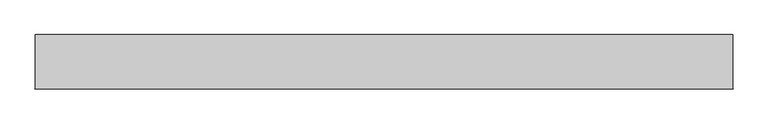
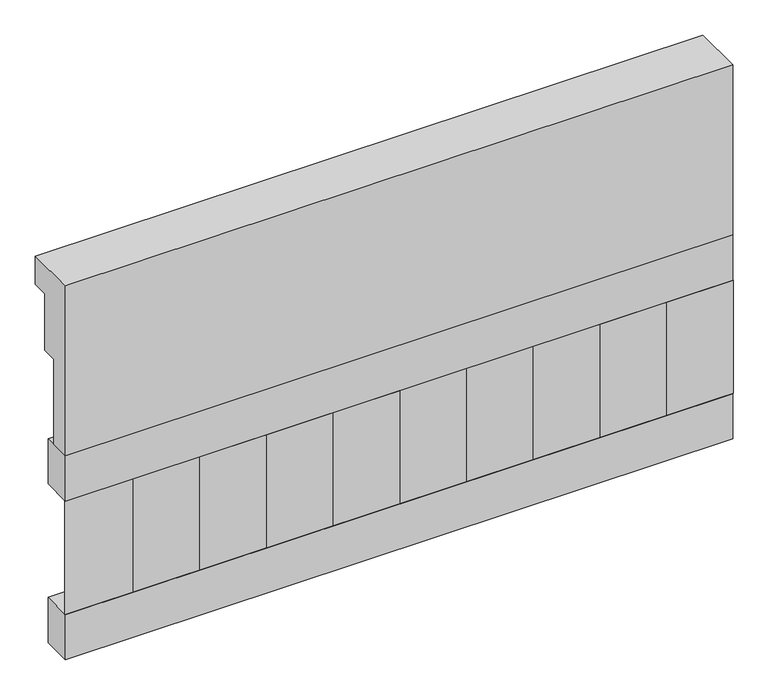
"""IFC4 building model written with IfcOpenShell, lengths in millimetres: railing geometry."""

import ifcopenshell
import ifcopenshell.guid

model = None  # the IFC model being written
_history = None  # IfcOwnerHistory: only IFC2X3 demands one
_inside = {}  # id of a spatial element -> (the spatial element, [elements in it])
_under = {}  # id of a project, library or spatial element -> (it, [spatial elements below it])
_declared = {}  # id of a project -> (the project, [libraries it declares])
_typed = {}  # id of a type object -> (the type object, [elements of that type])
_made_of = {}  # id of a material, layer set ... -> (it, [elements and type objects made of it])


def new_model(schema):
    """Start an empty IFC model of exactly this schema.

    Asked for "IFC4X3", IfcOpenShell would pick the latest addendum, in which some entities
    have other attributes; the version numbers below select the first issue.
    IFC2X3 requires an IfcOwnerHistory on every rooted entity: one is made here for all.
    """
    global model, _history
    if schema == "IFC4X3":
        model = ifcopenshell.file(schema_version=(4, 3, 0, 0))
    else:
        model = ifcopenshell.file(schema=schema)
    _inside.clear()
    _under.clear()
    _declared.clear()
    _typed.clear()
    _made_of.clear()
    _history = None
    if model.schema == "IFC2X3":
        org = make("IfcOrganization", Name="unknown")
        user = make(
            "IfcPersonAndOrganization",
            ThePerson=make("IfcPerson", FamilyName="unknown"),
            TheOrganization=org,
        )
        app = make(
            "IfcApplication",
            ApplicationDeveloper=org,
            Version="unknown",
            ApplicationFullName="unknown",
            ApplicationIdentifier="unknown",
        )
        _history = make(
            "IfcOwnerHistory",
            OwningUser=user,
            OwningApplication=app,
            ChangeAction="ADDED",
            CreationDate=0,
        )
    return model


def make(cls, **values):
    """One entity of the class cls with the attributes given. An attribute that is None is left unset."""
    return model.create_entity(
        cls, **{name: value for name, value in values.items() if value is not None}
    )


def rooted(cls, **values):
    """An entity with a GlobalId (a new one), such as an element, a storey or a relation."""
    return make(cls, GlobalId=ifcopenshell.guid.new(), OwnerHistory=_history, **values)


def si_unit(unit_type, name, prefix=None):
    """IfcSIUnit, for example si_unit("LENGTHUNIT", "METRE", prefix="MILLI")."""
    return make("IfcSIUnit", UnitType=unit_type, Prefix=prefix, Name=name)


def assignment(units):
    """IfcUnitAssignment: the units of a project."""
    return None if units is None else make("IfcUnitAssignment", Units=units)


def point(xyz):
    """IfcCartesianPoint."""
    return None if xyz is None else make("IfcCartesianPoint", Coordinates=xyz)


def direction(xyz):
    """IfcDirection."""
    return None if xyz is None else make("IfcDirection", DirectionRatios=xyz)


def frame(location, z_axis=None, x_axis=None):
    """IfcAxis2Placement3D, a coordinate frame: its origin and axes. An axis left out is left unset."""
    return make(
        "IfcAxis2Placement3D",
        Location=point(location),
        Axis=direction(z_axis),
        RefDirection=direction(x_axis),
    )


def origin():
    """The frame at (0, 0, 0) with its axes left unset."""
    return frame((0.0, 0.0, 0.0))


def place(relative_to, where):
    """IfcLocalPlacement: puts the frame where relative to a parent placement (None: the world)."""
    return make(
        "IfcLocalPlacement", PlacementRelTo=relative_to, RelativePlacement=where
    )


def context(
    kind, dimensions, precision=None, world=None, true_north=None, identifier=None
):
    """IfcGeometricRepresentationContext, for example the 3D "Model" context."""
    return make(
        "IfcGeometricRepresentationContext",
        ContextIdentifier=identifier,
        ContextType=kind,
        CoordinateSpaceDimension=dimensions,
        Precision=precision,
        WorldCoordinateSystem=world,
        TrueNorth=true_north,
    )


def project(units=None, contexts=None):
    """IfcProject with its units and contexts."""
    return rooted(
        "IfcProject",
        Name="project",
        RepresentationContexts=contexts,
        UnitsInContext=assignment(units),
    )


def spatial(cls, under=None, at=None, **own):
    """A site, building, storey or space (cls), placed at a placement, below another one or the project."""
    s = rooted(cls, ObjectPlacement=at, **own)
    if under is not None:
        _under.setdefault(under.id(), (under, []))[1].append(s)
    return s


def polyline(points):
    """IfcPolyline through the points."""
    return make("IfcPolyline", Points=[point(p) for p in points])


def outline(outer, holes=None, kind="AREA"):
    """IfcArbitraryClosedProfileDef: a profile drawn as a closed curve; with holes, ...WithVoids."""
    if holes is None:
        return make("IfcArbitraryClosedProfileDef", ProfileType=kind, OuterCurve=outer)
    return make(
        "IfcArbitraryProfileDefWithVoids",
        ProfileType=kind,
        OuterCurve=outer,
        InnerCurves=holes,
    )


def extrude(swept, where, along, depth):
    """IfcExtrudedAreaSolid: the profile swept, set in the frame where, extruded along a direction by depth."""
    return make(
        "IfcExtrudedAreaSolid",
        SweptArea=swept,
        Position=where,
        ExtrudedDirection=direction(along),
        Depth=depth,
    )


def shape(context_of_items, identifier, shape_type, items):
    """IfcShapeRepresentation: the items that make up one representation, for example the "Body"."""
    return make(
        "IfcShapeRepresentation",
        ContextOfItems=context_of_items,
        RepresentationIdentifier=identifier,
        RepresentationType=shape_type,
        Items=items,
    )


def source(mapping_origin, context_of_items, identifier, shape_type, items):
    """IfcRepresentationMap: a shape defined once, which mapped items show again and again."""
    return make(
        "IfcRepresentationMap",
        MappingOrigin=mapping_origin,
        MappedRepresentation=shape(context_of_items, identifier, shape_type, items),
    )


def transform(
    local_origin,
    x_axis=None,
    y_axis=None,
    z_axis=None,
    scale=None,
    scale2=None,
    scale3=None,
    uniform=True,
):
    """IfcCartesianTransformationOperator3D, or its non-uniform kind. x_axis, y_axis, z_axis: its Axis1, 2, 3."""
    if uniform:
        return make(
            "IfcCartesianTransformationOperator3D",
            Axis1=direction(x_axis),
            Axis2=direction(y_axis),
            LocalOrigin=point(local_origin),
            Scale=scale,
            Axis3=direction(z_axis),
        )
    return make(
        "IfcCartesianTransformationOperator3DnonUniform",
        Axis1=direction(x_axis),
        Axis2=direction(y_axis),
        LocalOrigin=point(local_origin),
        Scale=scale,
        Axis3=direction(z_axis),
        Scale2=scale2,
        Scale3=scale3,
    )


def mapped(mapping_source, mapping_target):
    """IfcMappedItem: shows the shape of a source again, moved by a transform."""
    return make(
        "IfcMappedItem", MappingSource=mapping_source, MappingTarget=mapping_target
    )


def made_of(thing, what):
    """Note that an element or type object is made of a material, layer set ...; save() writes the relation."""
    if what is not None:
        _made_of.setdefault(what.id(), (what, []))[1].append(thing)
    return thing


def element(
    cls,
    number,
    at=None,
    inside=None,
    cuts=None,
    type_object=None,
    material=None,
    context=None,
    identifier="Body",
    shape_type=None,
    held_by="IfcProductDefinitionShape",
    body=None,
    shapes=None,
    **own,
):
    """One element of the class cls, such as IfcWall. Its Tag is "e" and its number.

    at: its placement. inside: the storey or other place that contains it. cuts: it is an
    opening in that element (IfcRelVoidsElement). A single representation is given by context,
    identifier, shape_type and body (its items); several are given by shapes. held_by: the class
    of the entity that holds the representations. save() writes the other relations.
    """
    e = rooted(cls, Tag="e%d" % number, ObjectPlacement=at, **own)
    if body is not None:
        shapes = [shape(context, identifier, shape_type, body)]
    if shapes is not None:
        e.Representation = make(held_by, Representations=shapes)
    if inside is not None:
        _inside.setdefault(inside.id(), (inside, []))[1].append(e)
    if cuts is not None:
        rooted(
            "IfcRelVoidsElement", RelatingBuildingElement=cuts, RelatedOpeningElement=e
        )
    if type_object is not None:
        _typed.setdefault(type_object.id(), (type_object, []))[1].append(e)
    return made_of(e, material)


def aggregate(whole, parts):
    """IfcRelAggregates: a whole, such as a stair, and the parts it consists of."""
    return rooted("IfcRelAggregates", RelatingObject=whole, RelatedObjects=parts)


def save(model, path):
    """Write the relations noted so far, then the file.

    IfcRelAggregates (storeys below a building ...), IfcRelContainedInSpatialStructure (elements
    in a storey), IfcRelDefinesByType, IfcRelAssociatesMaterial and IfcRelDeclares: one each for
    every whole, place, type object, material and project.
    """
    for whole, parts in _under.values():
        aggregate(whole, parts)
    for where, things in _inside.values():
        rooted(
            "IfcRelContainedInSpatialStructure",
            RelatedElements=things,
            RelatingStructure=where,
        )
    for kind, things in _typed.values():
        rooted("IfcRelDefinesByType", RelatedObjects=things, RelatingType=kind)
    for what, things in _made_of.values():
        rooted("IfcRelAssociatesMaterial", RelatedObjects=things, RelatingMaterial=what)
    for by, libraries in _declared.values():
        rooted("IfcRelDeclares", RelatingContext=by, RelatedDefinitions=libraries)
    model.write(path)


def railing_bf115fda(model_context):
    return source(origin(), model_context, "Body", "SweptSolid", [
        extrude(outline(polyline([(903.1079487, 18500.0), (1033.1079487, 18500.0), (1033.1079487, 18425.0), (993.1079487, 18425.0), (993.1079487, 18275.0), (953.1079487, 18275.0), (953.1079487, 18050.0), (903.1079487, 18050.0), (903.1079487, 18500.0)])), frame((-40039.9887159, 0.0, 0.0), z_axis=(1.0, 0.0, 0.0), x_axis=(0.0, 1.0, 0.0)), (0.0, 0.0, 1.0), 1670.0),
        extrude(outline(polyline([(-38369.9887159, 978.1079487), (-38369.9887159, 903.1079487), (-40039.9887159, 903.1079487), (-40039.9887159, 978.1079487), (-38369.9887159, 978.1079487)])), frame((0.0, 0.0, 17930.0), z_axis=(0.0, 0.0, 1.0), x_axis=(1.0, 0.0, 0.0)), (0.0, 0.0, 1.0), 120.0),
        extrude(outline(polyline([(-38369.9887159, 978.1079487), (-38369.9887159, 903.1079487), (-40039.9887159, 903.1079487), (-40039.9887159, 978.1079487), (-38369.9887159, 978.1079487)])), frame((0.0, 0.0, 17510.0), z_axis=(0.0, 0.0, 1.0), x_axis=(1.0, 0.0, 0.0)), (0.0, 0.0, 1.0), 120.0),
        extrude(outline(polyline([(-39956.4887159, 987.9607624), (-39871.6359022, 903.1079487), (-40041.3415296, 903.1079487), (-39956.4887159, 987.9607624)])), frame((0.0, 0.0, 17630.0), z_axis=(0.0, 0.0, 1.0), x_axis=(1.0, 0.0, 0.0)), (0.0, 0.0, 1.0), 300.0),
        extrude(outline(polyline([(-39789.4887159, 987.9607624), (-39704.6359022, 903.1079487), (-39874.3415296, 903.1079487), (-39789.4887159, 987.9607624)])), frame((0.0, 0.0, 17630.0), z_axis=(0.0, 0.0, 1.0), x_axis=(1.0, 0.0, 0.0)), (0.0, 0.0, 1.0), 300.0),
        extrude(outline(polyline([(-39622.4887159, 987.9607624), (-39537.6359022, 903.1079487), (-39707.3415296, 903.1079487), (-39622.4887159, 987.9607624)])), frame((0.0, 0.0, 17630.0), z_axis=(0.0, 0.0, 1.0), x_axis=(1.0, 0.0, 0.0)), (0.0, 0.0, 1.0), 300.0),
        extrude(outline(polyline([(-39455.4887159, 987.9607624), (-39370.6359022, 903.1079487), (-39540.3415296, 903.1079487), (-39455.4887159, 987.9607624)])), frame((0.0, 0.0, 17630.0), z_axis=(0.0, 0.0, 1.0), x_axis=(1.0, 0.0, 0.0)), (0.0, 0.0, 1.0), 300.0),
        extrude(outline(polyline([(-39288.4887159, 987.9607624), (-39203.6359022, 903.1079487), (-39373.3415296, 903.1079487), (-39288.4887159, 987.9607624)])), frame((0.0, 0.0, 17630.0), z_axis=(0.0, 0.0, 1.0), x_axis=(1.0, 0.0, 0.0)), (0.0, 0.0, 1.0), 300.0),
        extrude(outline(polyline([(-39121.4887159, 987.9607624), (-39036.6359022, 903.1079487), (-39206.3415296, 903.1079487), (-39121.4887159, 987.9607624)])), frame((0.0, 0.0, 17630.0), z_axis=(0.0, 0.0, 1.0), x_axis=(1.0, 0.0, 0.0)), (0.0, 0.0, 1.0), 300.0),
        extrude(outline(polyline([(-38954.4887159, 987.9607624), (-38869.6359022, 903.1079487), (-39039.3415296, 903.1079487), (-38954.4887159, 987.9607624)])), frame((0.0, 0.0, 17630.0), z_axis=(0.0, 0.0, 1.0), x_axis=(1.0, 0.0, 0.0)), (0.0, 0.0, 1.0), 300.0),
        extrude(outline(polyline([(-38787.4887159, 987.9607624), (-38702.6359022, 903.1079487), (-38872.3415296, 903.1079487), (-38787.4887159, 987.9607624)])), frame((0.0, 0.0, 17630.0), z_axis=(0.0, 0.0, 1.0), x_axis=(1.0, 0.0, 0.0)), (0.0, 0.0, 1.0), 300.0),
        extrude(outline(polyline([(-38620.4887159, 987.9607624), (-38535.6359022, 903.1079487), (-38705.3415296, 903.1079487), (-38620.4887159, 987.9607624)])), frame((0.0, 0.0, 17630.0), z_axis=(0.0, 0.0, 1.0), x_axis=(1.0, 0.0, 0.0)), (0.0, 0.0, 1.0), 300.0),
        extrude(outline(polyline([(-38453.4887159, 987.9607624), (-38368.6359022, 903.1079487), (-38538.3415296, 903.1079487), (-38453.4887159, 987.9607624)])), frame((0.0, 0.0, 17630.0), z_axis=(0.0, 0.0, 1.0), x_axis=(1.0, 0.0, 0.0)), (0.0, 0.0, 1.0), 300.0),
    ])


if __name__ == "__main__":
    model = new_model("IFC4")
    model_context = context("Model", 3, world=origin())
    ifc_project = project(units=[si_unit("LENGTHUNIT", "METRE", prefix="MILLI")], contexts=[model_context])
    site = spatial("IfcSite", under=ifc_project)
    building = spatial("IfcBuilding", under=site)
    placement = place(None, origin())
    railing_shape = railing_bf115fda(model_context)
    element("IfcRailing", 1, at=placement, inside=building, context=model_context, shape_type="MappedRepresentation", body=[
        mapped(railing_shape, transform((0.0, 0.0, 0.0), x_axis=(1.0, 0.0, 0.0), y_axis=(0.0, 1.0, 0.0), z_axis=(0.0, 0.0, 1.0))),
    ])
    save(model, "model.ifc")
